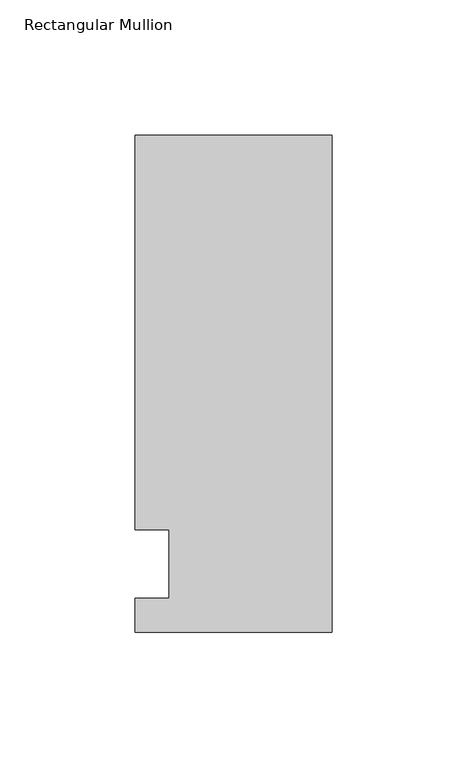
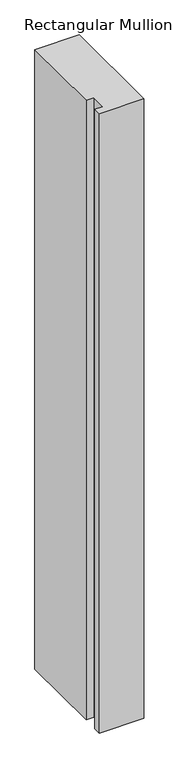
"""IFC4 building model written with IfcOpenShell, lengths in millimetres: member geometry, Rectangular Mullion."""

from ifc_helpers import new_model, si_unit, frame, origin, place, context, project, spatial, polyline, outline, extrude, source, transform, mapped, element, save


def rectangular_mullion_76a2667b(model_context):
    return source(origin(), model_context, "Body", "SweptSolid", [
        extrude(outline(polyline([(-73.025, 158.75), (0.0, 158.75), (0.0, -25.4), (-73.025, -25.4), (-73.025, -12.7), (-60.325, -12.7), (-60.325, 12.7), (-73.025, 12.7), (-73.025, 158.75)])), frame((0.0, 0.0, -1080.6594027), z_axis=(0.0, 0.0, 1.0), x_axis=(1.0, 0.0, 0.0)), (0.0, 0.0, 1.0), 1080.6594027),
    ])


if __name__ == "__main__":
    model = new_model("IFC4")
    model_context = context("Model", 3, world=origin())
    ifc_project = project(units=[si_unit("LENGTHUNIT", "METRE", prefix="MILLI")], contexts=[model_context])
    site = spatial("IfcSite", under=ifc_project)
    building = spatial("IfcBuilding", under=site)
    placement = place(None, origin())
    rectangular_mullion_shape = rectangular_mullion_76a2667b(model_context)
    element("IfcMember", 1, ObjectType="Rectangular Mullion", at=placement, inside=building, context=model_context, shape_type="MappedRepresentation", body=[
        mapped(rectangular_mullion_shape, transform((0.0, 0.0, 0.0), x_axis=(1.0, 0.0, 0.0), y_axis=(0.0, 1.0, 0.0), z_axis=(0.0, 0.0, 1.0))),
    ])
    save(model, "model.ifc")
